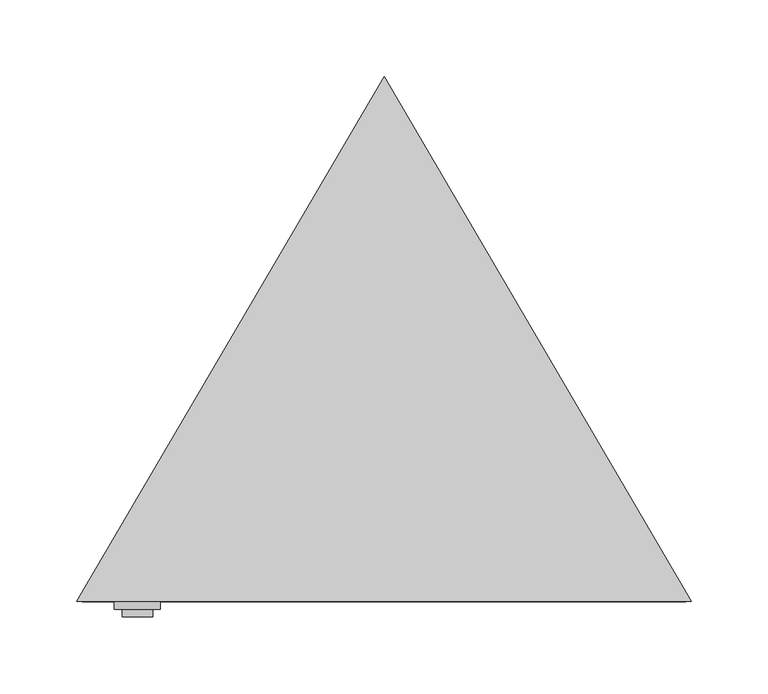
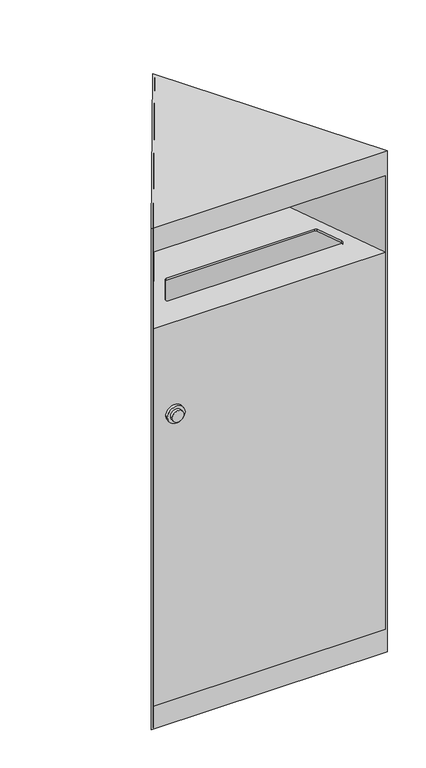
"""IFC4 building model written with IfcOpenShell, lengths in millimetres: furniture geometry."""

from ifc_helpers import new_model, si_unit, point, frame, frame_2d, origin, origin_with_axes, place, context, project, spatial, polyline, circle_curve, ellipse_curve, trimmed, segment, composite_curve, outline, extrude, faceted_brep, source, transform, mapped, element, save
from ifc_brep_helpers import plane_surface, revolved_surface, advanced_brep


def furniture_11e8c92c(model_context):
    return source(origin(), model_context, "Body", "SolidModel", [
        extrude(outline(composite_curve([segment(trimmed(circle_curve(frame_2d((554.0, -160.5265992)), 10.0), [point((554.0, -170.5265992))], [point((554.0, -150.5265992))], False, "CARTESIAN"), True, "CONTINUOUS"), segment(trimmed(circle_curve(frame_2d((554.0, -160.5265992)), 10.0), [point((554.0, -150.5265992))], [point((554.0, -170.5265992))], False, "CARTESIAN"), True, "CONTINUOUS")], self_intersect=False)), frame((0.0, -120.0, 0.0), z_axis=(0.0, 1.0, 0.0), x_axis=(0.0, 0.0, 1.0)), (0.0, 0.0, 1.0), 5.0),
        extrude(outline(composite_curve([segment(trimmed(circle_curve(frame_2d((554.0, -160.5265992)), 15.0), [point((554.0, -175.5265992))], [point((554.0, -145.5265992))], False, "CARTESIAN"), True, "CONTINUOUS"), segment(trimmed(circle_curve(frame_2d((554.0, -160.5265992)), 15.0), [point((554.0, -145.5265992))], [point((554.0, -175.5265992))], False, "CARTESIAN"), True, "CONTINUOUS")], self_intersect=False)), frame((0.0, -115.0, 0.0), z_axis=(0.0, 1.0, 0.0), x_axis=(0.0, 0.0, 1.0)), (0.0, 0.0, 1.0), 5.0),
        advanced_brep(
        [(0.0, 225.8435572, 776.4645603), (0.0, 225.8435572, 773.4182804), (-194.768619, -107.0, 714.7289809), (-194.768619, -107.0, 40.8), (-196.524116, -110.0, 40.8), (-196.524116, -110.0, 717.2462798), (196.524116, -110.0, 717.2462798), (196.524116, -110.0, 40.8), (194.768619, -107.0, 40.8), (194.768619, -107.0, 714.7289809), (147.0191014, -68.0, 721.6057332), (149.6083707, -63.4848485, 722.4018762), (128.5424071, -27.4848485, 728.7496475), (125.9531377, -26.0, 729.0114664), (-125.9531377, -26.0, 729.0114664), (-128.5424071, -27.4848485, 728.7496475), (-149.6083707, -63.4848485, 722.4018762), (-147.0191014, -68.0, 721.6057332), (149.6083707, -63.4848485, 725.4481561), (147.0191014, -68.0, 724.652013), (-147.0191014, -68.0, 724.652013), (-149.6083707, -63.4848485, 725.4481561), (-128.5424071, -27.4848485, 731.7959274), (-125.9531377, -26.0, 732.0577462), (125.9531377, -26.0, 732.0577462), (128.5424071, -27.4848485, 731.7959274)],
        [
            (0, 1),
            (1, 2),
            (2, 3),
            (3, 4),
            (4, 5),
            (5, 0),
            (0, 6),
            (6, 7),
            (7, 8),
            (8, 9),
            (9, 1),
            (2, 9),
            (8, 3),
            (10, 11, ellipse_curve(frame((147.0191014, -65.0, 722.1347141), z_axis=(0.0, -0.17364817766692014, 0.9848077530122099), x_axis=(0.0, 0.9848077530122099, 0.17364817766691934)), 3.0462798, 3.0)),
            (11, 12),
            (12, 13, ellipse_curve(frame((125.9531377, -29.0, 728.4824854), z_axis=(0.0, -0.17364817766692014, 0.9848077530122099), x_axis=(0.0, 0.9848077530122099, 0.17364817766691934)), 3.0462798, 3.0)),
            (13, 14),
            (14, 15, ellipse_curve(frame((-125.9531377, -29.0, 728.4824854), z_axis=(0.0, -0.17364817766692014, 0.9848077530122099), x_axis=(0.0, 0.9848077530122099, 0.17364817766691934)), 3.0462798, 3.0)),
            (15, 16),
            (16, 17, ellipse_curve(frame((-147.0191014, -65.0, 722.1347141), z_axis=(0.0, -0.17364817766692014, 0.9848077530122099), x_axis=(0.0, 0.9848077530122099, 0.17364817766691934)), 3.0462798, 3.0)),
            (17, 10),
            (5, 6),
            (18, 19, ellipse_curve(frame((147.0191014, -65.0, 725.180994), z_axis=(0.0, 0.17364817766692098, -0.9848077530122098), x_axis=(0.0, 0.9848077530122099, 0.17364817766691978)), 3.0462798, 3.0)),
            (19, 20),
            (20, 21, ellipse_curve(frame((-147.0191014, -65.0, 725.180994), z_axis=(0.0, 0.17364817766692098, -0.9848077530122098), x_axis=(0.0, 0.9848077530122099, 0.17364817766691978)), 3.0462798, 3.0)),
            (21, 22),
            (22, 23, ellipse_curve(frame((-125.9531377, -29.0, 731.5287653), z_axis=(0.0, 0.17364817766692098, -0.9848077530122098), x_axis=(0.0, 0.9848077530122099, 0.17364817766691978)), 3.0462798, 3.0)),
            (23, 24),
            (24, 25, ellipse_curve(frame((125.9531377, -29.0, 731.5287653), z_axis=(0.0, 0.17364817766692098, -0.9848077530122098), x_axis=(0.0, 0.9848077530122099, 0.17364817766691978)), 3.0462798, 3.0)),
            (25, 18),
            (4, 7),
            (10, 19),
            (18, 11),
            (25, 12),
            (24, 13),
            (23, 14),
            (22, 15),
            (21, 16),
            (20, 17),
        ],
        [
            plane_surface(frame((-196.524116, -110.0, 798.3172983), z_axis=(-0.8630897910114753, 0.5050505050505028, 0.0), x_axis=(0.0, 0.0, -1.0))),
            plane_surface(frame((0.0, 225.8435572, 798.3172983), z_axis=(0.8630897910114752, 0.5050505050505029, 0.0), x_axis=(0.0, 0.0, -1.0))),
            plane_surface(frame((214.0303996, -107.0, 710.1807143), z_axis=(0.0, 1.0, 0.0), x_axis=(-1.0, 0.0, 0.0))),
            plane_surface(frame((214.0303996, -107.0, 714.7289809), z_axis=(0.0, 0.17364817766692014, -0.9848077530122099), x_axis=(-1.0, 0.0, 0.0))),
            plane_surface(frame((214.0303996, 258.3169211, 782.1904905), z_axis=(0.0, -0.17364817766692098, 0.9848077530122098), x_axis=(-1.0, 0.0, 0.0))),
            plane_surface(frame((214.0303996, -110.0, 717.2462798), z_axis=(0.0, -1.0, 0.0), x_axis=(-1.0, 0.0, 0.0))),
            plane_surface(frame((-196.524116, -110.0, 40.8), z_axis=(0.0, 0.0, -1.0), x_axis=(0.5050505050505054, 0.8630897910114738, 0.0))),
            revolved_surface(polyline([(150.0191014, -65.0, 725.7099749359336), (150.0191014, -65.0, 721.6057331640665)]), (147.0191014, -65.0, 692.8872812), (0.0, 0.0, 1.0)),
            plane_surface(frame((149.6083707, -63.4848485, 752.0810352), z_axis=(-0.8630897910114755, -0.5050505050505025, 0.0), x_axis=(0.0, 0.0, -1.0))),
            revolved_surface(polyline([(128.9531377, -29.0, 732.0577462359336), (128.9531377, -29.0, 727.9535044640664)]), (125.9531377, -29.0, 692.8872812), (0.0, 0.0, 1.0)),
            plane_surface(frame((125.9531377, -26.0, 752.0810352), z_axis=(0.0, -1.0, 0.0), x_axis=(0.0, 0.0, -1.0))),
            revolved_surface(polyline([(-122.9531377, -29.0, 732.0577462359336), (-122.9531377, -29.0, 727.9535044640664)]), (-125.9531377, -29.0, 692.8872812), (0.0, 0.0, 1.0)),
            plane_surface(frame((-128.5424071, -27.4848485, 752.0810352), z_axis=(0.8630897910114755, -0.5050505050505025, 0.0), x_axis=(0.0, 0.0, -1.0))),
            revolved_surface(polyline([(-144.0191014, -65.0, 725.7099749359336), (-144.0191014, -65.0, 721.6057331640665)]), (-147.0191014, -65.0, 692.8872812), (0.0, 0.0, 1.0)),
            plane_surface(frame((-147.0191014, -68.0, 752.0810352), z_axis=(0.0, 1.0, 0.0), x_axis=(0.0, 0.0, -1.0))),
        ],
        [
            (0, [[1, 2, 3, 4, 5, 6]]),
            (1, [[-1, 7, 8, 9, 10, 11]]),
            (2, [[-3, 12, -10, 13]]),
            (3, [[-12, -2, -11], [14, 15, 16, 17, 18, 19, 20, 21]]),
            (4, [[22, -7, -6], [23, 24, 25, 26, 27, 28, 29, 30]]),
            (5, [[-8, -22, -5, 31]]),
            (6, [[-13, -9, -31, -4]]),
            (7, [[32, -23, 33, -14]]),
            (8, [[-33, -30, 34, -15]]),
            (9, [[-34, -29, 35, -16]]),
            (10, [[-35, -28, 36, -17]]),
            (11, [[-36, -27, 37, -18]]),
            (12, [[-37, -26, 38, -19]]),
            (13, [[-38, -25, 39, -20]]),
            (14, [[-32, -21, -39, -24]]),
        ],
    ),
        extrude(outline(polyline([(0.0, 225.8435572), (194.768619, -107.0), (-194.768619, -107.0), (0.0, 225.8435572)])), origin_with_axes(), (0.0, 0.0, 1.0), 3.0),
        faceted_brep([(200.0, -110.0, 898.0), (0.0, 231.7835572, 898.0), (-200.0, -110.0, 898.0), (-200.0, -110.0, 0.0), (0.0, 231.7835572, 0.0), (200.0, -110.0, 0.0), (0.0, 225.8435572, 0.0), (-194.768619, -107.0, 0.0), (194.768619, -107.0, 0.0), (0.0, 225.8435572, 895.0), (-194.768619, -107.0, 895.0), (-194.768619, -107.0, 854.2), (-196.524116, -110.0, 854.2), (-196.524116, -110.0, 40.8), (-194.768619, -107.0, 40.8), (194.768619, -107.0, 40.8), (196.524116, -110.0, 40.8), (196.524116, -110.0, 854.2), (194.768619, -107.0, 854.2), (194.768619, -107.0, 895.0)], [[[0, 1, 2]], [[3, 4, 5], [6, 7, 8]], [[6, 9, 10, 11, 12, 13, 14, 7]], [[9, 6, 8, 15, 16, 17, 18, 19]], [[3, 5, 0, 2], [17, 16, 13, 12]], [[1, 0, 5, 4]], [[2, 1, 4, 3]], [[10, 9, 19]], [[11, 18, 17, 12]], [[18, 11, 10, 19]], [[15, 14, 13, 16]], [[14, 15, 8, 7]]]),
    ])


if __name__ == "__main__":
    model = new_model("IFC4")
    model_context = context("Model", 3, world=origin())
    ifc_project = project(units=[si_unit("LENGTHUNIT", "METRE", prefix="MILLI")], contexts=[model_context])
    site = spatial("IfcSite", under=ifc_project)
    building = spatial("IfcBuilding", under=site)
    placement = place(None, origin())
    furniture_shape = furniture_11e8c92c(model_context)
    element("IfcFurniture", 1, at=placement, inside=building, context=model_context, shape_type="MappedRepresentation", body=[
        mapped(furniture_shape, transform((0.0, 0.0, 0.0), x_axis=(1.0, 0.0, 0.0), y_axis=(0.0, 1.0, 0.0), z_axis=(0.0, 0.0, 1.0))),
    ])
    save(model, "model.ifc")
